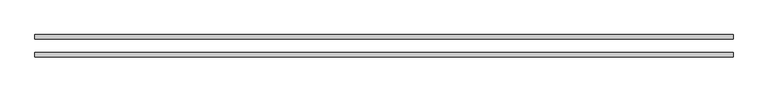
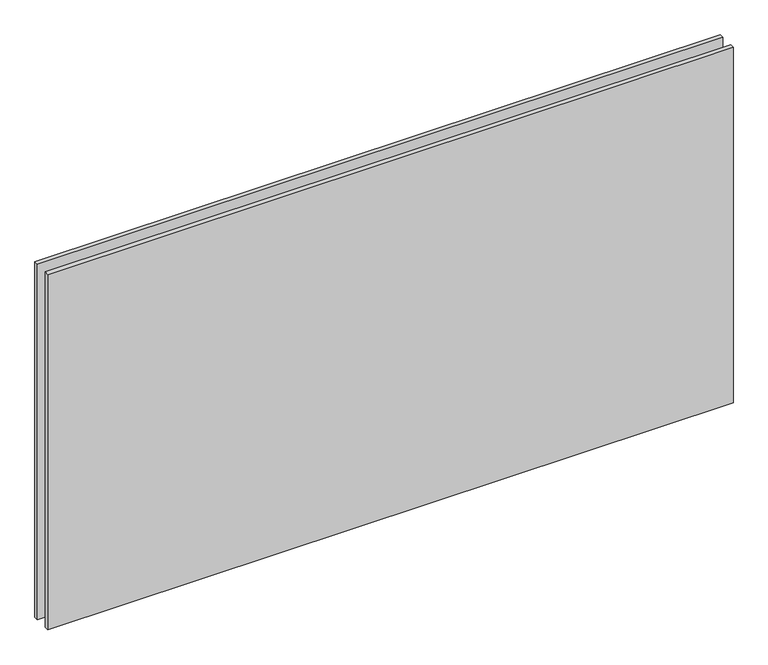
"""IFC4 building model written with IfcOpenShell, lengths in millimetres: plate geometry."""

from ifc_helpers import new_model, si_unit, origin, origin_with_axes, place, context, project, spatial, polyline, outline, extrude, source, transform, mapped, element, save


def plate_99b0c78c(model_context):
    return source(origin(), model_context, "Body", "SweptSolid", [
        extrude(outline(polyline([(625.0, -48.3), (-625.0, -48.3), (-625.0, -40.3), (625.0, -40.3), (625.0, -48.3)])), origin_with_axes(), (0.0, 0.0, 1.0), 685.0),
        extrude(outline(polyline([(625.0, -16.3), (-625.0, -16.3), (-625.0, -8.3), (625.0, -8.3), (625.0, -16.3)])), origin_with_axes(), (0.0, 0.0, 1.0), 685.0),
    ])


if __name__ == "__main__":
    model = new_model("IFC4")
    model_context = context("Model", 3, world=origin())
    ifc_project = project(units=[si_unit("LENGTHUNIT", "METRE", prefix="MILLI")], contexts=[model_context])
    site = spatial("IfcSite", under=ifc_project)
    building = spatial("IfcBuilding", under=site)
    placement = place(None, origin())
    plate_shape = plate_99b0c78c(model_context)
    element("IfcPlate", 1, at=placement, inside=building, context=model_context, shape_type="MappedRepresentation", body=[
        mapped(plate_shape, transform((0.0, 0.0, 0.0), x_axis=(1.0, 0.0, 0.0), y_axis=(0.0, 1.0, 0.0), z_axis=(0.0, 0.0, 1.0))),
    ])
    save(model, "model.ifc")
